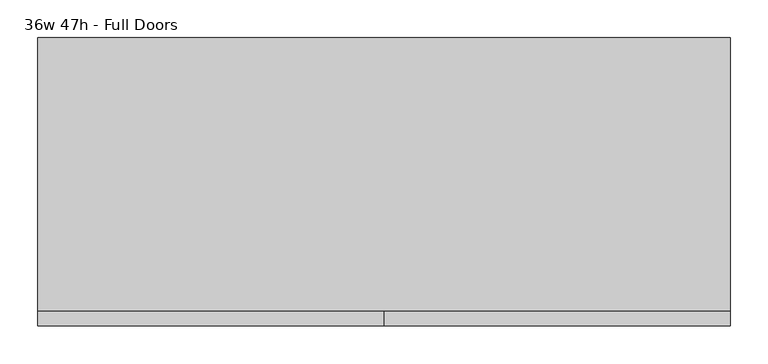
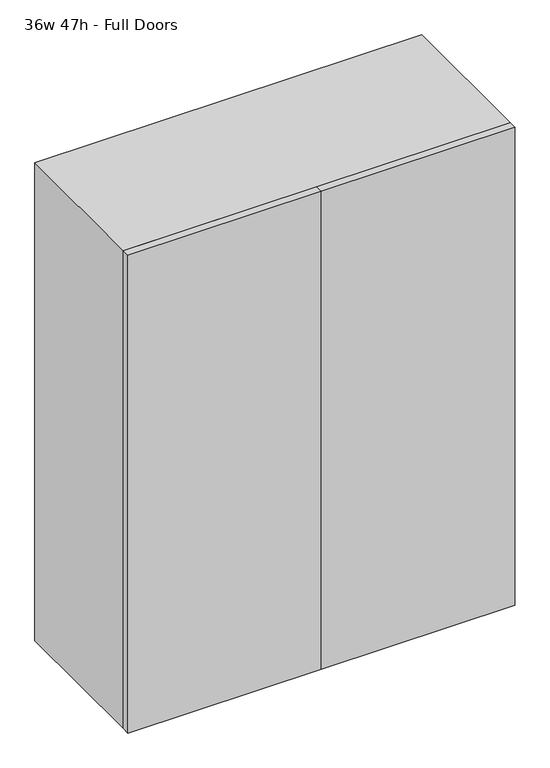
"""IFC4 building model written with IfcOpenShell, lengths in millimetres: furniture geometry, 36w 47h - Full Doors."""

from ifc_helpers import new_model, si_unit, frame, origin, place, context, project, spatial, polyline, outline, extrude, source, transform, mapped, element, save


def furniture_36w_47h_full_doors_20c9e943(model_context):
    return source(origin(), model_context, "Body", "SweptSolid", [
        extrude(outline(polyline([(438.1569453, 161.925), (438.1569453, -180.975), (-438.1291641, -180.975), (-438.1291641, 161.925), (438.1569453, 161.925)])), frame((0.0, 0.0, 1529.2916667), z_axis=(0.0, 0.0, 1.0), x_axis=(1.0, 0.0, 0.0)), (0.0, 0.0, 1.0), 19.05),
        extrude(outline(polyline([(438.1569453, 161.925), (438.1569453, -180.975), (-438.1291641, -180.975), (-438.1291641, 161.925), (438.1569453, 161.925)])), frame((0.0, 0.0, 1118.6583333), z_axis=(0.0, 0.0, 1.0), x_axis=(1.0, 0.0, 0.0)), (0.0, 0.0, 1.0), 19.05),
        extrude(outline(polyline([(0.0138906, -200.025), (0.0138906, -180.975), (457.2138906, -180.975), (457.2138906, -200.025), (0.0138906, -200.025)])), frame((0.0, 0.0, 736.6), z_axis=(0.0, 0.0, 1.0), x_axis=(1.0, 0.0, 0.0)), (0.0, 0.0, 1.0), 1193.8),
        extrude(outline(polyline([(0.0138906, -200.025), (-457.1861094, -200.025), (-457.1861094, -180.975), (0.0138906, -180.975), (0.0138906, -200.025)])), frame((0.0, 0.0, 736.6), z_axis=(0.0, 0.0, 1.0), x_axis=(1.0, 0.0, 0.0)), (0.0, 0.0, 1.0), 1193.8),
        extrude(outline(polyline([(736.6, -457.1861094), (736.6, 457.2138906), (1930.4, 457.2138906), (1930.4, -457.1861094), (736.6, -457.1861094)]), holes=[polyline([(755.65, -438.1361094), (1911.35, -438.1361094), (1911.35, 438.1569453), (755.65, 438.1569453), (755.65, -438.1361094)])]), frame((0.0, -180.975, 0.0), z_axis=(0.0, 1.0, 0.0), x_axis=(0.0, 0.0, 1.0)), (0.0, 0.0, 1.0), 361.95),
        extrude(outline(polyline([(-438.1291641, 161.925), (-438.1291641, 180.975), (438.1569453, 180.975), (438.1569453, 161.925), (-438.1291641, 161.925)])), frame((0.0, 0.0, 755.65), z_axis=(0.0, 0.0, 1.0), x_axis=(1.0, 0.0, 0.0)), (0.0, 0.0, 1.0), 1155.7),
    ])


if __name__ == "__main__":
    model = new_model("IFC4")
    model_context = context("Model", 3, world=origin())
    ifc_project = project(units=[si_unit("LENGTHUNIT", "METRE", prefix="MILLI")], contexts=[model_context])
    site = spatial("IfcSite", under=ifc_project)
    building = spatial("IfcBuilding", under=site)
    placement = place(None, origin())
    furniture_36w_47h_full_doors_shape = furniture_36w_47h_full_doors_20c9e943(model_context)
    element("IfcFurniture", 1, ObjectType="36w 47h - Full Doors", at=placement, inside=building, context=model_context, shape_type="MappedRepresentation", body=[
        mapped(furniture_36w_47h_full_doors_shape, transform((0.0, 0.0, 0.0), x_axis=(1.0, 0.0, 0.0), y_axis=(0.0, 1.0, 0.0), z_axis=(0.0, 0.0, 1.0))),
    ])
    save(model, "model.ifc")
